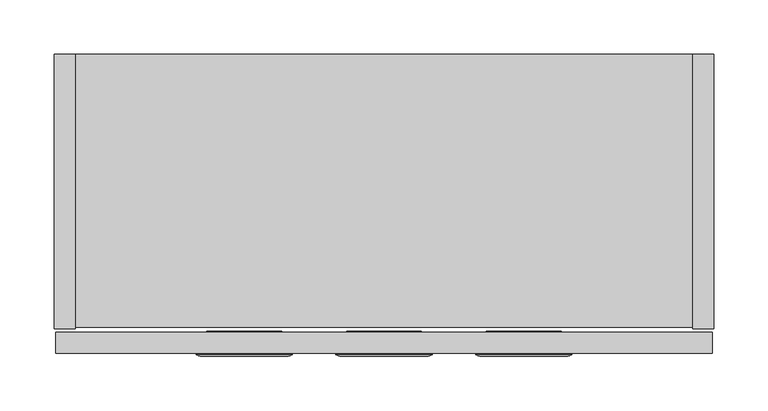
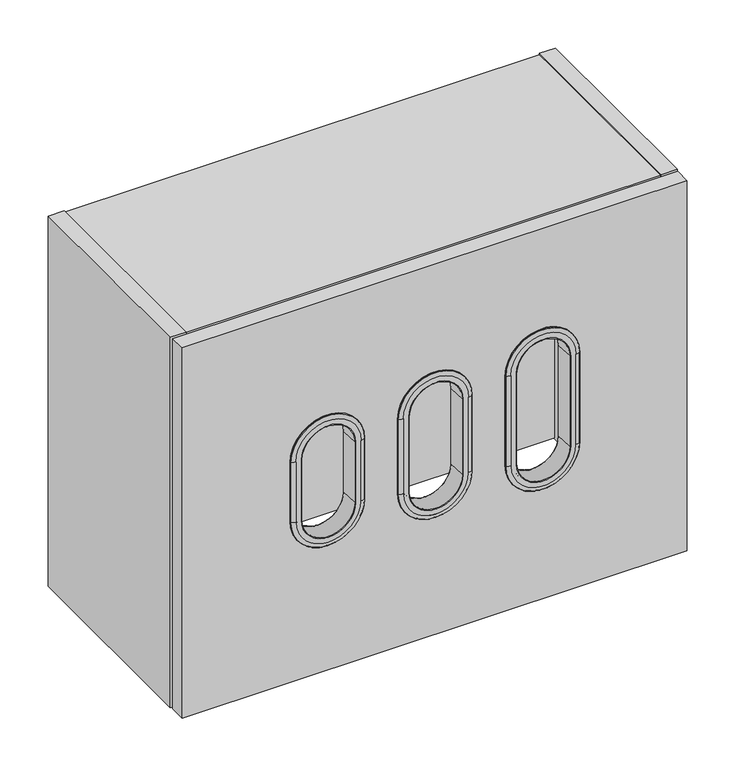
"""IFC4 building model written with IfcOpenShell, lengths in millimetres: furniture geometry."""

from ifc_helpers import new_model, si_unit, point, frame, frame_2d, origin, place, context, project, spatial, polyline, circle_curve, ellipse_curve, trimmed, segment, composite_curve, outline, extrude, source, transform, mapped, element, save
from ifc_brep_helpers import plane_surface, cylinder_surface, revolved_surface, advanced_brep


def furniture_065cee62(model_context):
    return source(origin(), model_context, "Body", "SolidModel", [
        extrude(outline(polyline([(19.304, -253.746), (0.0, -253.746), (0.0, 0.0), (19.304, 0.0), (19.304, -253.746)])), frame((0.0, 0.0, 1397.0), z_axis=(0.0, 0.0, 1.0), x_axis=(1.0, 0.0, 0.0)), (0.0, 0.0, 1.0), 469.9),
        extrude(outline(composite_curve([segment(polyline([(-253.746, 1397.0), (-253.746, 1866.9), (0.0, 1866.9), (0.0, 1783.842), (-9.5254487, 1783.842)]), True, "CONTINUOUS"), segment(trimmed(circle_curve(frame_2d((-9.5254487, 1780.6674487)), 3.1745513), [point((-9.5254487, 1783.842))], [point((-12.7, 1780.6674487))], True, "CARTESIAN"), True, "CONTINUOUS"), segment(polyline([(-12.7, 1780.6674487), (-12.7, 1679.067)]), True, "CONTINUOUS"), segment(trimmed(circle_curve(frame_2d((-9.525, 1679.067)), 3.175), [point((-12.7, 1679.067))], [point((-9.525, 1675.892))], True, "CARTESIAN"), True, "CONTINUOUS"), segment(polyline([(-9.525, 1675.892), (0.0, 1675.892), (0.0, 1397.0), (-253.746, 1397.0)]), True, "CONTINUOUS")], self_intersect=False)), frame((590.296, 0.0, 0.0), z_axis=(1.0, 0.0, 0.0), x_axis=(0.0, 1.0, 0.0)), (0.0, 0.0, 1.0), 19.304),
        extrude(outline(polyline([(590.296, -12.7), (590.296, -32.004), (19.304, -32.004), (19.304, -12.7), (590.296, -12.7)])), frame((0.0, 0.0, 1398.524), z_axis=(0.0, 0.0, 1.0), x_axis=(1.0, 0.0, 0.0)), (0.0, 0.0, 1.0), 449.072),
        extrude(outline(polyline([(590.296, -252.222), (19.304, -252.222), (19.304, -150.622), (590.296, -150.622), (590.296, -252.222)])), frame((0.0, 0.0, 1398.524), z_axis=(0.0, 0.0, 1.0), x_axis=(1.0, 0.0, 0.0)), (0.0, 0.0, 1.0), 19.304),
        extrude(outline(polyline([(590.296, -252.222), (19.304, -252.222), (19.304, 0.0), (590.296, 0.0), (590.296, -252.222)])), frame((0.0, 0.0, 1847.596), z_axis=(0.0, 0.0, 1.0), x_axis=(1.0, 0.0, 0.0)), (0.0, 0.0, 1.0), 17.78),
        advanced_brep(
        [(465.9192539, -278.6290346, 1695.45), (465.1479285, -256.5411669, 1695.45), (465.1479285, -256.5411669, 1581.15), (465.9192539, -278.6290346, 1581.15), (466.5334946, -279.2222, 1695.45), (466.5334946, -279.2222, 1581.15), (477.995775, -277.8997336, 1695.45), (473.034376, -279.2222, 1695.45), (473.034376, -279.2222, 1581.15), (477.995775, -277.8997336, 1581.15), (478.408104, -277.2288403, 1695.45), (478.408104, -277.2288403, 1581.15), (478.4607131, -276.225, 1695.45), (478.4607131, -276.225, 1581.15), (468.4776, -255.905, 1695.45), (468.4776, -276.225, 1695.45), (468.4776, -276.225, 1581.15), (468.4776, -255.905, 1581.15), (465.7622678, -255.905, 1695.45), (465.7622678, -255.905, 1581.15), (401.9479461, -278.6290346, 1581.15), (402.7192715, -256.5411669, 1581.15), (401.3337054, -279.2222, 1581.15), (389.871425, -277.8997336, 1581.15), (394.832824, -279.2222, 1581.15), (389.459096, -277.2288403, 1581.15), (389.4064869, -276.225, 1581.15), (399.3896, -255.905, 1581.15), (399.3896, -276.225, 1581.15), (402.1049322, -255.905, 1581.15), (402.7192715, -256.5411669, 1695.45), (401.9479461, -278.6290346, 1695.45), (401.3337054, -279.2222, 1695.45), (394.832824, -279.2222, 1695.45), (389.871425, -277.8997336, 1695.45), (389.459096, -277.2288403, 1695.45), (389.4064869, -276.225, 1695.45), (399.3896, -276.225, 1695.45), (399.3896, -255.905, 1695.45), (402.1049322, -255.905, 1695.45)],
        [
            (0, 1),
            (1, 2),
            (2, 3),
            (3, 0),
            (4, 0, circle_curve(frame((466.5334946, -278.6075849, 1695.45), z_axis=(0.0, 0.0, -1.0), x_axis=(1.0, 0.0, 0.0)), 0.6146151)),
            (3, 5, circle_curve(frame((466.5334946, -278.6075849, 1581.15), z_axis=(0.0, 0.0, 1.0), x_axis=(1.0, 0.0, 0.0)), 0.6146151)),
            (5, 4),
            (6, 7, circle_curve(frame((473.034376, -269.254311, 1695.45), z_axis=(0.0, 0.0, -1.0), x_axis=(1.0, 0.0, 0.0)), 9.967889)),
            (7, 8),
            (8, 9, circle_curve(frame((473.034376, -269.254311, 1581.15), z_axis=(0.0, 0.0, 1.0), x_axis=(1.0, 0.0, 0.0)), 9.967889)),
            (9, 6),
            (10, 6, circle_curve(frame((477.5860416, -277.1857579, 1695.45), z_axis=(0.0, 0.0, -1.0), x_axis=(1.0, 0.0, 0.0)), 0.8231906)),
            (9, 11, circle_curve(frame((477.5860416, -277.1857579, 1581.15), z_axis=(0.0, 0.0, 1.0), x_axis=(1.0, 0.0, 0.0)), 0.8231906)),
            (11, 10),
            (12, 10),
            (11, 13),
            (13, 12),
            (14, 15),
            (15, 16),
            (16, 17),
            (17, 14),
            (1, 18, circle_curve(frame((465.7622678, -256.5197137, 1695.45), z_axis=(0.0, 0.0, -1.0), x_axis=(1.0, 0.0, 0.0)), 0.6147137)),
            (18, 19),
            (19, 2, circle_curve(frame((465.7622678, -256.5197137, 1581.15), z_axis=(0.0, 0.0, 1.0), x_axis=(1.0, 0.0, 0.0)), 0.6147137)),
            (20, 3, circle_curve(frame((433.9336, -278.6290346, 1581.15), z_axis=(0.0, -1.0, 0.0), x_axis=(1.0, 0.0, 0.0)), 31.9856539)),
            (2, 21, circle_curve(frame((433.9336, -256.5411669, 1581.15), z_axis=(0.0, 1.0, 0.0), x_axis=(1.0, 0.0, 0.0)), 31.2143285)),
            (21, 20),
            (22, 5, circle_curve(frame((433.9336, -279.2222, 1581.15), z_axis=(0.0, -1.0, 0.0), x_axis=(1.0, 0.0, 0.0)), 32.5998946)),
            (20, 22, circle_curve(frame((401.3337054, -278.6075849, 1581.15), z_axis=(0.0, 0.0, -1.0), x_axis=(-1.0, 0.0, 0.0)), 0.6146151)),
            (23, 9, circle_curve(frame((433.9336, -277.8997336, 1581.15), z_axis=(0.0, -1.0, 0.0), x_axis=(1.0, 0.0, 0.0)), 44.062175)),
            (8, 24, circle_curve(frame((433.9336, -279.2222, 1581.15), z_axis=(0.0, 1.0, 0.0), x_axis=(1.0, 0.0, 0.0)), 39.100776)),
            (24, 23, circle_curve(frame((394.832824, -269.254311, 1581.15), z_axis=(0.0, 0.0, -1.0), x_axis=(-1.0, 0.0, 0.0)), 9.967889)),
            (25, 11, circle_curve(frame((433.9336, -277.2288403, 1581.15), z_axis=(0.0, -1.0, 0.0), x_axis=(1.0, 0.0, 0.0)), 44.474504)),
            (23, 25, circle_curve(frame((390.2811584, -277.1857579, 1581.15), z_axis=(0.0, 0.0, -1.0), x_axis=(-1.0, 0.0, 0.0)), 0.8231906)),
            (26, 13, circle_curve(frame((433.9336, -276.225, 1581.15), z_axis=(0.0, -1.0, 0.0), x_axis=(1.0, 0.0, 0.0)), 44.5271131)),
            (25, 26),
            (27, 17, circle_curve(frame((433.9336, -255.905, 1581.15), z_axis=(0.0, -1.0, 0.0), x_axis=(1.0, 0.0, 0.0)), 34.544)),
            (16, 28, circle_curve(frame((433.9336, -276.225, 1581.15), z_axis=(0.0, 1.0, 0.0), x_axis=(1.0, 0.0, 0.0)), 34.544)),
            (28, 27),
            (19, 29, circle_curve(frame((433.9336, -255.905, 1581.15), z_axis=(0.0, 1.0, 0.0), x_axis=(1.0, 0.0, 0.0)), 31.8286678)),
            (29, 21, circle_curve(frame((402.1049322, -256.5197137, 1581.15), z_axis=(0.0, 0.0, -1.0), x_axis=(-1.0, 0.0, 0.0)), 0.6147137)),
            (21, 30),
            (30, 31),
            (31, 20),
            (31, 32, circle_curve(frame((401.3337054, -278.6075849, 1695.45), z_axis=(0.0, 0.0, -1.0), x_axis=(-1.0, 0.0, 0.0)), 0.6146151)),
            (32, 22),
            (24, 33),
            (33, 34, circle_curve(frame((394.832824, -269.254311, 1695.45), z_axis=(0.0, 0.0, -1.0), x_axis=(-1.0, 0.0, 0.0)), 9.967889)),
            (34, 23),
            (34, 35, circle_curve(frame((390.2811584, -277.1857579, 1695.45), z_axis=(0.0, 0.0, -1.0), x_axis=(-1.0, 0.0, 0.0)), 0.8231906)),
            (35, 25),
            (35, 36),
            (36, 26),
            (28, 37),
            (37, 38),
            (38, 27),
            (29, 39),
            (39, 30, circle_curve(frame((402.1049322, -256.5197137, 1695.45), z_axis=(0.0, 0.0, -1.0), x_axis=(-1.0, 0.0, 0.0)), 0.6147137)),
            (0, 31, circle_curve(frame((433.9336, -278.6290346, 1695.45), z_axis=(0.0, -1.0, 0.0), x_axis=(-1.0, 0.0, 0.0)), 31.9856539)),
            (30, 1, circle_curve(frame((433.9336, -256.5411669, 1695.45), z_axis=(0.0, 1.0, 0.0), x_axis=(-1.0, 0.0, 0.0)), 31.2143285)),
            (4, 32, circle_curve(frame((433.9336, -279.2222, 1695.45), z_axis=(0.0, -1.0, 0.0), x_axis=(-1.0, 0.0, 0.0)), 32.5998946)),
            (7, 33, circle_curve(frame((433.9336, -279.2222, 1695.45), z_axis=(0.0, -1.0, 0.0), x_axis=(-1.0, 0.0, 0.0)), 39.100776)),
            (6, 34, circle_curve(frame((433.9336, -277.8997336, 1695.45), z_axis=(0.0, -1.0, 0.0), x_axis=(-1.0, 0.0, 0.0)), 44.062175)),
            (10, 35, circle_curve(frame((433.9336, -277.2288403, 1695.45), z_axis=(0.0, -1.0, 0.0), x_axis=(-1.0, 0.0, 0.0)), 44.474504)),
            (12, 36, circle_curve(frame((433.9336, -276.225, 1695.45), z_axis=(0.0, -1.0, 0.0), x_axis=(-1.0, 0.0, 0.0)), 44.5271131)),
            (15, 37, circle_curve(frame((433.9336, -276.225, 1695.45), z_axis=(0.0, -1.0, 0.0), x_axis=(-1.0, 0.0, 0.0)), 34.544)),
            (14, 38, circle_curve(frame((433.9336, -255.905, 1695.45), z_axis=(0.0, -1.0, 0.0), x_axis=(-1.0, 0.0, 0.0)), 34.544)),
            (18, 39, circle_curve(frame((433.9336, -255.905, 1695.45), z_axis=(0.0, -1.0, 0.0), x_axis=(-1.0, 0.0, 0.0)), 31.8286678)),
        ],
        [
            plane_surface(frame((465.1479285, -256.5411669, 1695.45), z_axis=(-0.9993908270190941, -0.03489949670254908, 0.0), x_axis=(0.0, 0.0, -1.0))),
            cylinder_surface(frame((466.5334946, -278.6075849, 1695.45), z_axis=(0.0, 0.0, 1.0), x_axis=(1.0, 0.0, 0.0)), 0.6146151),
            cylinder_surface(frame((473.034376, -269.254311, 1695.45), z_axis=(0.0, 0.0, 1.0), x_axis=(1.0, 0.0, 0.0)), 9.967889),
            cylinder_surface(frame((477.5860416, -277.1857579, 1695.45), z_axis=(0.0, 0.0, 1.0), x_axis=(1.0, 0.0, 0.0)), 0.8231906),
            plane_surface(frame((478.408104, -277.2288403, 1695.45), z_axis=(0.9986295347545768, -0.052335956242888795, 0.0), x_axis=(0.0, 0.0, -1.0))),
            plane_surface(frame((468.4776, -276.225, 1695.45), z_axis=(1.0, 0.0, 0.0), x_axis=(0.0, 0.0, -1.0))),
            cylinder_surface(frame((465.7622678, -256.5197137, 1695.45), z_axis=(0.0, 0.0, 1.0), x_axis=(1.0, 0.0, 0.0)), 0.6147137),
            revolved_surface(polyline([(465.1479285, -256.5411669, 1581.15), (465.9192539, -278.6290346, 1581.15)]), (433.9336, -276.225, 1581.15), (0.0, 1.0, 0.0)),
            revolved_surface(trimmed(ellipse_curve(frame((466.5334946, -278.6075849, 1581.15), z_axis=(0.0, 0.0, 1.0), x_axis=(1.0, 0.0, 0.0)), 0.6146151, 0.6146151), [point((465.9192539, -278.6290346, 1581.15))], [point((466.5334946, -279.2222, 1581.15))], True, "CARTESIAN"), (433.9336, -276.225, 1581.15), (0.0, 1.0, 0.0)),
            revolved_surface(trimmed(ellipse_curve(frame((473.034376, -269.254311, 1581.15), z_axis=(0.0, 0.0, 1.0), x_axis=(1.0, 0.0, 0.0)), 9.967889, 9.967889), [point((473.034376, -279.2222, 1581.15))], [point((477.995775, -277.8997336, 1581.15))], True, "CARTESIAN"), (433.9336, -276.225, 1581.15), (0.0, 1.0, 0.0)),
            revolved_surface(trimmed(ellipse_curve(frame((477.5860416, -277.1857579, 1581.15), z_axis=(0.0, 0.0, 1.0), x_axis=(1.0, 0.0, 0.0)), 0.8231906, 0.8231906), [point((477.995775, -277.8997336, 1581.15))], [point((478.408104, -277.2288403, 1581.15))], True, "CARTESIAN"), (433.9336, -276.225, 1581.15), (0.0, 1.0, 0.0)),
            revolved_surface(polyline([(478.408104, -277.2288403, 1581.15), (478.4607131, -276.225, 1581.15)]), (433.9336, -276.225, 1581.15), (0.0, 1.0, 0.0)),
            cylinder_surface(frame((433.9336, -276.225, 1581.15), z_axis=(0.0, 1.0, 0.0), x_axis=(1.0, 0.0, 0.0)), 34.544),
            revolved_surface(trimmed(ellipse_curve(frame((465.7622678, -256.5197137, 1581.15), z_axis=(0.0, 0.0, 1.0), x_axis=(1.0, 0.0, 0.0)), 0.6147137, 0.6147137), [point((465.7622678, -255.905, 1581.15))], [point((465.1479285, -256.5411669, 1581.15))], True, "CARTESIAN"), (433.9336, -276.225, 1581.15), (0.0, 1.0, 0.0)),
            plane_surface(frame((402.7192715, -256.5411669, 1581.15), z_axis=(0.9993908270190941, -0.03489949670254908, 0.0), x_axis=(0.0, 0.0, 1.0))),
            cylinder_surface(frame((401.3337054, -278.6075849, 1581.15), z_axis=(0.0, 0.0, -1.0), x_axis=(-1.0, 0.0, 0.0)), 0.6146151),
            cylinder_surface(frame((394.832824, -269.254311, 1581.15), z_axis=(0.0, 0.0, -1.0), x_axis=(-1.0, 0.0, 0.0)), 9.967889),
            cylinder_surface(frame((390.2811584, -277.1857579, 1581.15), z_axis=(0.0, 0.0, -1.0), x_axis=(-1.0, 0.0, 0.0)), 0.8231906),
            plane_surface(frame((389.459096, -277.2288403, 1581.15), z_axis=(-0.9986295347545768, -0.052335956242888795, 0.0), x_axis=(0.0, 0.0, 1.0))),
            plane_surface(frame((399.3896, -276.225, 1581.15), z_axis=(-1.0, 0.0, 0.0), x_axis=(0.0, 0.0, 1.0))),
            cylinder_surface(frame((402.1049322, -256.5197137, 1581.15), z_axis=(0.0, 0.0, -1.0), x_axis=(-1.0, 0.0, 0.0)), 0.6147137),
            revolved_surface(polyline([(402.7192715, -256.5411669, 1695.45), (401.9479461, -278.6290346, 1695.45)]), (433.9336, -276.225, 1695.45), (0.0, 1.0, 0.0)),
            revolved_surface(trimmed(ellipse_curve(frame((401.3337054, -278.6075849, 1695.45), z_axis=(0.0, 0.0, -1.0), x_axis=(-1.0, 0.0, 0.0)), 0.6146151, 0.6146151), [point((401.9479461, -278.6290346, 1695.45))], [point((401.3337054, -279.2222, 1695.45))], True, "CARTESIAN"), (433.9336, -276.225, 1695.45), (0.0, 1.0, 0.0)),
            plane_surface(frame((433.9336, -279.2222, 1695.45), z_axis=(0.0, -1.0, 0.0), x_axis=(-1.0, 0.0, 0.0))),
            revolved_surface(trimmed(ellipse_curve(frame((394.832824, -269.254311, 1695.45), z_axis=(0.0, 0.0, -1.0), x_axis=(-1.0, 0.0, 0.0)), 9.967889, 9.967889), [point((394.832824, -279.2222, 1695.45))], [point((389.871425, -277.8997336, 1695.45))], True, "CARTESIAN"), (433.9336, -276.225, 1695.45), (0.0, 1.0, 0.0)),
            revolved_surface(trimmed(ellipse_curve(frame((390.2811584, -277.1857579, 1695.45), z_axis=(0.0, 0.0, -1.0), x_axis=(-1.0, 0.0, 0.0)), 0.8231906, 0.8231906), [point((389.871425, -277.8997336, 1695.45))], [point((389.459096, -277.2288403, 1695.45))], True, "CARTESIAN"), (433.9336, -276.225, 1695.45), (0.0, 1.0, 0.0)),
            revolved_surface(polyline([(389.459096, -277.2288403, 1695.45), (389.4064869, -276.225, 1695.45)]), (433.9336, -276.225, 1695.45), (0.0, 1.0, 0.0)),
            plane_surface(frame((433.9336, -276.225, 1695.45), z_axis=(0.0, 1.0, 0.0), x_axis=(-1.0, 0.0, 0.0))),
            cylinder_surface(frame((433.9336, -276.225, 1695.45), z_axis=(0.0, 1.0, 0.0), x_axis=(-1.0, 0.0, 0.0)), 34.544),
            plane_surface(frame((433.9336, -255.905, 1695.45), z_axis=(0.0, 1.0, 0.0), x_axis=(-1.0, 0.0, 0.0))),
            revolved_surface(trimmed(ellipse_curve(frame((402.1049322, -256.5197137, 1695.45), z_axis=(0.0, 0.0, -1.0), x_axis=(-1.0, 0.0, 0.0)), 0.6147137, 0.6147137), [point((402.1049322, -255.905, 1695.45))], [point((402.7192715, -256.5411669, 1695.45))], True, "CARTESIAN"), (433.9336, -276.225, 1695.45), (0.0, 1.0, 0.0)),
        ],
        [
            (0, [[1, 2, 3, 4]]),
            (1, [[5, -4, 6, 7]]),
            (2, [[8, 9, 10, 11]]),
            (3, [[12, -11, 13, 14]]),
            (4, [[15, -14, 16, 17]]),
            (5, [[18, 19, 20, 21]]),
            (6, [[22, 23, 24, -2]]),
            (7, [[25, -3, 26, 27]]),
            (8, [[28, -6, -25, 29]]),
            (9, [[30, -10, 31, 32]]),
            (10, [[33, -13, -30, 34]]),
            (11, [[35, -16, -33, 36]]),
            (12, [[37, -20, 38, 39]]),
            (13, [[-26, -24, 40, 41]]),
            (14, [[-27, 42, 43, 44]]),
            (15, [[-29, -44, 45, 46]]),
            (16, [[-32, 47, 48, 49]]),
            (17, [[-34, -49, 50, 51]]),
            (18, [[-36, -51, 52, 53]]),
            (19, [[-39, 54, 55, 56]]),
            (20, [[-41, 57, 58, -42]]),
            (21, [[59, -43, 60, -1]]),
            (22, [[61, -45, -59, -5]]),
            (23, [[62, -47, -31, -9], [-28, -46, -61, -7]]),
            (24, [[63, -48, -62, -8]]),
            (25, [[64, -50, -63, -12]]),
            (26, [[65, -52, -64, -15]]),
            (27, [[-35, -53, -65, -17], [66, -54, -38, -19]]),
            (28, [[67, -55, -66, -18]]),
            (29, [[-37, -56, -67, -21], [68, -57, -40, -23]]),
            (30, [[-60, -58, -68, -22]]),
        ],
    ),
        advanced_brep(
        [(336.7856539, -278.6290346, 1685.925), (336.0143285, -256.5411669, 1685.925), (336.0143285, -256.5411669, 1590.675), (336.7856539, -278.6290346, 1590.675), (337.3998946, -279.2222, 1685.925), (337.3998946, -279.2222, 1590.675), (348.862175, -277.8997336, 1685.925), (343.900776, -279.2222, 1685.925), (343.900776, -279.2222, 1590.675), (348.862175, -277.8997336, 1590.675), (349.274504, -277.2288403, 1685.925), (349.274504, -277.2288403, 1590.675), (349.3271131, -276.225, 1685.925), (349.3271131, -276.225, 1590.675), (339.344, -255.905, 1685.925), (339.344, -276.225, 1685.925), (339.344, -276.225, 1590.675), (339.344, -255.905, 1590.675), (336.6286678, -255.905, 1685.925), (336.6286678, -255.905, 1590.675), (272.8143461, -278.6290346, 1590.675), (273.5856715, -256.5411669, 1590.675), (272.2001054, -279.2222, 1590.675), (260.737825, -277.8997336, 1590.675), (265.699224, -279.2222, 1590.675), (260.325496, -277.2288403, 1590.675), (260.2728869, -276.225, 1590.675), (270.256, -255.905, 1590.675), (270.256, -276.225, 1590.675), (272.9713322, -255.905, 1590.675), (273.5856715, -256.5411669, 1685.925), (272.8143461, -278.6290346, 1685.925), (272.2001054, -279.2222, 1685.925), (265.699224, -279.2222, 1685.925), (260.737825, -277.8997336, 1685.925), (260.325496, -277.2288403, 1685.925), (260.2728869, -276.225, 1685.925), (270.256, -276.225, 1685.925), (270.256, -255.905, 1685.925), (272.9713322, -255.905, 1685.925)],
        [
            (0, 1),
            (1, 2),
            (2, 3),
            (3, 0),
            (4, 0, circle_curve(frame((337.3998946, -278.6075849, 1685.925), z_axis=(0.0, 0.0, -1.0), x_axis=(1.0, 0.0, 0.0)), 0.6146151)),
            (3, 5, circle_curve(frame((337.3998946, -278.6075849, 1590.675), z_axis=(0.0, 0.0, 1.0), x_axis=(1.0, 0.0, 0.0)), 0.6146151)),
            (5, 4),
            (6, 7, circle_curve(frame((343.900776, -269.254311, 1685.925), z_axis=(0.0, 0.0, -1.0), x_axis=(1.0, 0.0, 0.0)), 9.967889)),
            (7, 8),
            (8, 9, circle_curve(frame((343.900776, -269.254311, 1590.675), z_axis=(0.0, 0.0, 1.0), x_axis=(1.0, 0.0, 0.0)), 9.967889)),
            (9, 6),
            (10, 6, circle_curve(frame((348.4524416, -277.1857579, 1685.925), z_axis=(0.0, 0.0, -1.0), x_axis=(1.0, 0.0, 0.0)), 0.8231906)),
            (9, 11, circle_curve(frame((348.4524416, -277.1857579, 1590.675), z_axis=(0.0, 0.0, 1.0), x_axis=(1.0, 0.0, 0.0)), 0.8231906)),
            (11, 10),
            (12, 10),
            (11, 13),
            (13, 12),
            (14, 15),
            (15, 16),
            (16, 17),
            (17, 14),
            (1, 18, circle_curve(frame((336.6286678, -256.5197137, 1685.925), z_axis=(0.0, 0.0, -1.0), x_axis=(1.0, 0.0, 0.0)), 0.6147137)),
            (18, 19),
            (19, 2, circle_curve(frame((336.6286678, -256.5197137, 1590.675), z_axis=(0.0, 0.0, 1.0), x_axis=(1.0, 0.0, 0.0)), 0.6147137)),
            (20, 3, circle_curve(frame((304.8, -278.6290346, 1590.675), z_axis=(0.0, -1.0, 0.0), x_axis=(1.0, 0.0, 0.0)), 31.9856539)),
            (2, 21, circle_curve(frame((304.8, -256.5411669, 1590.675), z_axis=(0.0, 1.0, 0.0), x_axis=(1.0, 0.0, 0.0)), 31.2143285)),
            (21, 20),
            (22, 5, circle_curve(frame((304.8, -279.2222, 1590.675), z_axis=(0.0, -1.0, 0.0), x_axis=(1.0, 0.0, 0.0)), 32.5998946)),
            (20, 22, circle_curve(frame((272.2001054, -278.6075849, 1590.675), z_axis=(0.0, 0.0, -1.0), x_axis=(-1.0, 0.0, 0.0)), 0.6146151)),
            (23, 9, circle_curve(frame((304.8, -277.8997336, 1590.675), z_axis=(0.0, -1.0, 0.0), x_axis=(1.0, 0.0, 0.0)), 44.062175)),
            (8, 24, circle_curve(frame((304.8, -279.2222, 1590.675), z_axis=(0.0, 1.0, 0.0), x_axis=(1.0, 0.0, 0.0)), 39.100776)),
            (24, 23, circle_curve(frame((265.699224, -269.254311, 1590.675), z_axis=(0.0, 0.0, -1.0), x_axis=(-1.0, 0.0, 0.0)), 9.967889)),
            (25, 11, circle_curve(frame((304.8, -277.2288403, 1590.675), z_axis=(0.0, -1.0, 0.0), x_axis=(1.0, 0.0, 0.0)), 44.474504)),
            (23, 25, circle_curve(frame((261.1475584, -277.1857579, 1590.675), z_axis=(0.0, 0.0, -1.0), x_axis=(-1.0, 0.0, 0.0)), 0.8231906)),
            (26, 13, circle_curve(frame((304.8, -276.225, 1590.675), z_axis=(0.0, -1.0, 0.0), x_axis=(1.0, 0.0, 0.0)), 44.5271131)),
            (25, 26),
            (27, 17, circle_curve(frame((304.8, -255.905, 1590.675), z_axis=(0.0, -1.0, 0.0), x_axis=(1.0, 0.0, 0.0)), 34.544)),
            (16, 28, circle_curve(frame((304.8, -276.225, 1590.675), z_axis=(0.0, 1.0, 0.0), x_axis=(1.0, 0.0, 0.0)), 34.544)),
            (28, 27),
            (19, 29, circle_curve(frame((304.8, -255.905, 1590.675), z_axis=(0.0, 1.0, 0.0), x_axis=(1.0, 0.0, 0.0)), 31.8286678)),
            (29, 21, circle_curve(frame((272.9713322, -256.5197137, 1590.675), z_axis=(0.0, 0.0, -1.0), x_axis=(-1.0, 0.0, 0.0)), 0.6147137)),
            (21, 30),
            (30, 31),
            (31, 20),
            (31, 32, circle_curve(frame((272.2001054, -278.6075849, 1685.925), z_axis=(0.0, 0.0, -1.0), x_axis=(-1.0, 0.0, 0.0)), 0.6146151)),
            (32, 22),
            (24, 33),
            (33, 34, circle_curve(frame((265.699224, -269.254311, 1685.925), z_axis=(0.0, 0.0, -1.0), x_axis=(-1.0, 0.0, 0.0)), 9.967889)),
            (34, 23),
            (34, 35, circle_curve(frame((261.1475584, -277.1857579, 1685.925), z_axis=(0.0, 0.0, -1.0), x_axis=(-1.0, 0.0, 0.0)), 0.8231906)),
            (35, 25),
            (35, 36),
            (36, 26),
            (28, 37),
            (37, 38),
            (38, 27),
            (29, 39),
            (39, 30, circle_curve(frame((272.9713322, -256.5197137, 1685.925), z_axis=(0.0, 0.0, -1.0), x_axis=(-1.0, 0.0, 0.0)), 0.6147137)),
            (0, 31, circle_curve(frame((304.8, -278.6290346, 1685.925), z_axis=(0.0, -1.0, 0.0), x_axis=(-1.0, 0.0, 0.0)), 31.9856539)),
            (30, 1, circle_curve(frame((304.8, -256.5411669, 1685.925), z_axis=(0.0, 1.0, 0.0), x_axis=(-1.0, 0.0, 0.0)), 31.2143285)),
            (4, 32, circle_curve(frame((304.8, -279.2222, 1685.925), z_axis=(0.0, -1.0, 0.0), x_axis=(-1.0, 0.0, 0.0)), 32.5998946)),
            (7, 33, circle_curve(frame((304.8, -279.2222, 1685.925), z_axis=(0.0, -1.0, 0.0), x_axis=(-1.0, 0.0, 0.0)), 39.100776)),
            (6, 34, circle_curve(frame((304.8, -277.8997336, 1685.925), z_axis=(0.0, -1.0, 0.0), x_axis=(-1.0, 0.0, 0.0)), 44.062175)),
            (10, 35, circle_curve(frame((304.8, -277.2288403, 1685.925), z_axis=(0.0, -1.0, 0.0), x_axis=(-1.0, 0.0, 0.0)), 44.474504)),
            (12, 36, circle_curve(frame((304.8, -276.225, 1685.925), z_axis=(0.0, -1.0, 0.0), x_axis=(-1.0, 0.0, 0.0)), 44.5271131)),
            (15, 37, circle_curve(frame((304.8, -276.225, 1685.925), z_axis=(0.0, -1.0, 0.0), x_axis=(-1.0, 0.0, 0.0)), 34.544)),
            (14, 38, circle_curve(frame((304.8, -255.905, 1685.925), z_axis=(0.0, -1.0, 0.0), x_axis=(-1.0, 0.0, 0.0)), 34.544)),
            (18, 39, circle_curve(frame((304.8, -255.905, 1685.925), z_axis=(0.0, -1.0, 0.0), x_axis=(-1.0, 0.0, 0.0)), 31.8286678)),
        ],
        [
            plane_surface(frame((336.0143285, -256.5411669, 1685.925), z_axis=(-0.999390827019094, -0.034899496702549854, 0.0), x_axis=(0.0, 0.0, -1.0))),
            cylinder_surface(frame((337.3998946, -278.6075849, 1685.925), z_axis=(0.0, 0.0, 1.0), x_axis=(1.0, 0.0, 0.0)), 0.6146151),
            cylinder_surface(frame((343.900776, -269.254311, 1685.925), z_axis=(0.0, 0.0, 1.0), x_axis=(1.0, 0.0, 0.0)), 9.967889),
            cylinder_surface(frame((348.4524416, -277.1857579, 1685.925), z_axis=(0.0, 0.0, 1.0), x_axis=(1.0, 0.0, 0.0)), 0.8231906),
            plane_surface(frame((349.274504, -277.2288403, 1685.925), z_axis=(0.9986295347546317, -0.05233595624184051, 0.0), x_axis=(0.0, 0.0, -1.0))),
            plane_surface(frame((339.344, -276.225, 1685.925), z_axis=(1.0, 0.0, 0.0), x_axis=(0.0, 0.0, -1.0))),
            cylinder_surface(frame((336.6286678, -256.5197137, 1685.925), z_axis=(0.0, 0.0, 1.0), x_axis=(1.0, 0.0, 0.0)), 0.6147137),
            revolved_surface(polyline([(336.0143285, -256.5411669, 1590.675), (336.7856539, -278.6290346, 1590.675)]), (304.8, -276.225, 1590.675), (0.0, 1.0, 0.0)),
            revolved_surface(trimmed(ellipse_curve(frame((337.3998946, -278.6075849, 1590.675), z_axis=(0.0, 0.0, 1.0), x_axis=(1.0, 0.0, 0.0)), 0.6146151, 0.6146151), [point((336.7856539, -278.6290346, 1590.675))], [point((337.3998946, -279.2222, 1590.675))], True, "CARTESIAN"), (304.8, -276.225, 1590.675), (0.0, 1.0, 0.0)),
            revolved_surface(trimmed(ellipse_curve(frame((343.900776, -269.254311, 1590.675), z_axis=(0.0, 0.0, 1.0), x_axis=(1.0, 0.0, 0.0)), 9.967889, 9.967889), [point((343.900776, -279.2222, 1590.675))], [point((348.862175, -277.8997336, 1590.675))], True, "CARTESIAN"), (304.8, -276.225, 1590.675), (0.0, 1.0, 0.0)),
            revolved_surface(trimmed(ellipse_curve(frame((348.4524416, -277.1857579, 1590.675), z_axis=(0.0, 0.0, 1.0), x_axis=(1.0, 0.0, 0.0)), 0.8231906, 0.8231906), [point((348.862175, -277.8997336, 1590.675))], [point((349.274504, -277.2288403, 1590.675))], True, "CARTESIAN"), (304.8, -276.225, 1590.675), (0.0, 1.0, 0.0)),
            revolved_surface(polyline([(349.274504, -277.2288403, 1590.675), (349.3271131, -276.225, 1590.675)]), (304.8, -276.225, 1590.675), (0.0, 1.0, 0.0)),
            cylinder_surface(frame((304.8, -276.225, 1590.675), z_axis=(0.0, 1.0, 0.0), x_axis=(1.0, 0.0, 0.0)), 34.544),
            revolved_surface(trimmed(ellipse_curve(frame((336.6286678, -256.5197137, 1590.675), z_axis=(0.0, 0.0, 1.0), x_axis=(1.0, 0.0, 0.0)), 0.6147137, 0.6147137), [point((336.6286678, -255.905, 1590.675))], [point((336.0143285, -256.5411669, 1590.675))], True, "CARTESIAN"), (304.8, -276.225, 1590.675), (0.0, 1.0, 0.0)),
            plane_surface(frame((273.5856715, -256.5411669, 1590.675), z_axis=(0.999390827019094, -0.034899496702549854, 0.0), x_axis=(0.0, 0.0, 1.0))),
            cylinder_surface(frame((272.2001054, -278.6075849, 1590.675), z_axis=(0.0, 0.0, -1.0), x_axis=(-1.0, 0.0, 0.0)), 0.6146151),
            cylinder_surface(frame((265.699224, -269.254311, 1590.675), z_axis=(0.0, 0.0, -1.0), x_axis=(-1.0, 0.0, 0.0)), 9.967889),
            cylinder_surface(frame((261.1475584, -277.1857579, 1590.675), z_axis=(0.0, 0.0, -1.0), x_axis=(-1.0, 0.0, 0.0)), 0.8231906),
            plane_surface(frame((260.325496, -277.2288403, 1590.675), z_axis=(-0.9986295347546317, -0.05233595624184051, 0.0), x_axis=(0.0, 0.0, 1.0))),
            plane_surface(frame((270.256, -276.225, 1590.675), z_axis=(-1.0, 0.0, 0.0), x_axis=(0.0, 0.0, 1.0))),
            cylinder_surface(frame((272.9713322, -256.5197137, 1590.675), z_axis=(0.0, 0.0, -1.0), x_axis=(-1.0, 0.0, 0.0)), 0.6147137),
            revolved_surface(polyline([(273.5856715, -256.5411669, 1685.925), (272.8143461, -278.6290346, 1685.925)]), (304.8, -276.225, 1685.925), (0.0, 1.0, 0.0)),
            revolved_surface(trimmed(ellipse_curve(frame((272.2001054, -278.6075849, 1685.925), z_axis=(0.0, 0.0, -1.0), x_axis=(-1.0, 0.0, 0.0)), 0.6146151, 0.6146151), [point((272.8143461, -278.6290346, 1685.925))], [point((272.2001054, -279.2222, 1685.925))], True, "CARTESIAN"), (304.8, -276.225, 1685.925), (0.0, 1.0, 0.0)),
            plane_surface(frame((304.8, -279.2222, 1685.925), z_axis=(0.0, -1.0, 0.0), x_axis=(-1.0, 0.0, 0.0))),
            revolved_surface(trimmed(ellipse_curve(frame((265.699224, -269.254311, 1685.925), z_axis=(0.0, 0.0, -1.0), x_axis=(-1.0, 0.0, 0.0)), 9.967889, 9.967889), [point((265.699224, -279.2222, 1685.925))], [point((260.737825, -277.8997336, 1685.925))], True, "CARTESIAN"), (304.8, -276.225, 1685.925), (0.0, 1.0, 0.0)),
            revolved_surface(trimmed(ellipse_curve(frame((261.1475584, -277.1857579, 1685.925), z_axis=(0.0, 0.0, -1.0), x_axis=(-1.0, 0.0, 0.0)), 0.8231906, 0.8231906), [point((260.737825, -277.8997336, 1685.925))], [point((260.325496, -277.2288403, 1685.925))], True, "CARTESIAN"), (304.8, -276.225, 1685.925), (0.0, 1.0, 0.0)),
            revolved_surface(polyline([(260.325496, -277.2288403, 1685.925), (260.2728869, -276.225, 1685.925)]), (304.8, -276.225, 1685.925), (0.0, 1.0, 0.0)),
            plane_surface(frame((304.8, -276.225, 1685.925), z_axis=(0.0, 1.0, 0.0), x_axis=(-1.0, 0.0, 0.0))),
            cylinder_surface(frame((304.8, -276.225, 1685.925), z_axis=(0.0, 1.0, 0.0), x_axis=(-1.0, 0.0, 0.0)), 34.544),
            plane_surface(frame((304.8, -255.905, 1685.925), z_axis=(0.0, 1.0, 0.0), x_axis=(-1.0, 0.0, 0.0))),
            revolved_surface(trimmed(ellipse_curve(frame((272.9713322, -256.5197137, 1685.925), z_axis=(0.0, 0.0, -1.0), x_axis=(-1.0, 0.0, 0.0)), 0.6147137, 0.6147137), [point((272.9713322, -255.905, 1685.925))], [point((273.5856715, -256.5411669, 1685.925))], True, "CARTESIAN"), (304.8, -276.225, 1685.925), (0.0, 1.0, 0.0)),
        ],
        [
            (0, [[1, 2, 3, 4]]),
            (1, [[5, -4, 6, 7]]),
            (2, [[8, 9, 10, 11]]),
            (3, [[12, -11, 13, 14]]),
            (4, [[15, -14, 16, 17]]),
            (5, [[18, 19, 20, 21]]),
            (6, [[22, 23, 24, -2]]),
            (7, [[25, -3, 26, 27]]),
            (8, [[28, -6, -25, 29]]),
            (9, [[30, -10, 31, 32]]),
            (10, [[33, -13, -30, 34]]),
            (11, [[35, -16, -33, 36]]),
            (12, [[37, -20, 38, 39]]),
            (13, [[-26, -24, 40, 41]]),
            (14, [[-27, 42, 43, 44]]),
            (15, [[-29, -44, 45, 46]]),
            (16, [[-32, 47, 48, 49]]),
            (17, [[-34, -49, 50, 51]]),
            (18, [[-36, -51, 52, 53]]),
            (19, [[-39, 54, 55, 56]]),
            (20, [[-41, 57, 58, -42]]),
            (21, [[59, -43, 60, -1]]),
            (22, [[61, -45, -59, -5]]),
            (23, [[62, -47, -31, -9], [-28, -46, -61, -7]]),
            (24, [[63, -48, -62, -8]]),
            (25, [[64, -50, -63, -12]]),
            (26, [[65, -52, -64, -15]]),
            (27, [[-35, -53, -65, -17], [66, -54, -38, -19]]),
            (28, [[67, -55, -66, -18]]),
            (29, [[-37, -56, -67, -21], [68, -57, -40, -23]]),
            (30, [[-60, -58, -68, -22]]),
        ],
    ),
        advanced_brep(
        [(207.6520539, -278.6290346, 1676.4), (206.8807285, -256.5411669, 1676.4), (206.8807285, -256.5411669, 1600.2), (207.6520539, -278.6290346, 1600.2), (208.2662946, -279.2222, 1676.4), (208.2662946, -279.2222, 1600.2), (219.728575, -277.8997336, 1676.4), (214.767176, -279.2222, 1676.4), (214.767176, -279.2222, 1600.2), (219.728575, -277.8997336, 1600.2), (220.140904, -277.2288403, 1676.4), (220.140904, -277.2288403, 1600.2), (220.1935131, -276.225, 1676.4), (220.1935131, -276.225, 1600.2), (210.2104, -255.905, 1676.4), (210.2104, -276.225, 1676.4), (210.2104, -276.225, 1600.2), (210.2104, -255.905, 1600.2), (207.4950678, -255.905, 1676.4), (207.4950678, -255.905, 1600.2), (143.6807461, -278.6290346, 1600.2), (144.4520715, -256.5411669, 1600.2), (143.0665054, -279.2222, 1600.2), (131.604225, -277.8997336, 1600.2), (136.565624, -279.2222, 1600.2), (131.191896, -277.2288403, 1600.2), (131.1392869, -276.225, 1600.2), (141.1224, -255.905, 1600.2), (141.1224, -276.225, 1600.2), (143.8377322, -255.905, 1600.2), (144.4520715, -256.5411669, 1676.4), (143.6807461, -278.6290346, 1676.4), (143.0665054, -279.2222, 1676.4), (136.565624, -279.2222, 1676.4), (131.604225, -277.8997336, 1676.4), (131.191896, -277.2288403, 1676.4), (131.1392869, -276.225, 1676.4), (141.1224, -276.225, 1676.4), (141.1224, -255.905, 1676.4), (143.8377322, -255.905, 1676.4)],
        [
            (0, 1),
            (1, 2),
            (2, 3),
            (3, 0),
            (4, 0, circle_curve(frame((208.2662946, -278.6075849, 1676.4), z_axis=(0.0, 0.0, -1.0), x_axis=(1.0, 0.0, 0.0)), 0.6146151)),
            (3, 5, circle_curve(frame((208.2662946, -278.6075849, 1600.2), z_axis=(0.0, 0.0, 1.0), x_axis=(1.0, 0.0, 0.0)), 0.6146151)),
            (5, 4),
            (6, 7, circle_curve(frame((214.767176, -269.254311, 1676.4), z_axis=(0.0, 0.0, -1.0), x_axis=(1.0, 0.0, 0.0)), 9.967889)),
            (7, 8),
            (8, 9, circle_curve(frame((214.767176, -269.254311, 1600.2), z_axis=(0.0, 0.0, 1.0), x_axis=(1.0, 0.0, 0.0)), 9.967889)),
            (9, 6),
            (10, 6, circle_curve(frame((219.3188416, -277.1857579, 1676.4), z_axis=(0.0, 0.0, -1.0), x_axis=(1.0, 0.0, 0.0)), 0.8231906)),
            (9, 11, circle_curve(frame((219.3188416, -277.1857579, 1600.2), z_axis=(0.0, 0.0, 1.0), x_axis=(1.0, 0.0, 0.0)), 0.8231906)),
            (11, 10),
            (12, 10),
            (11, 13),
            (13, 12),
            (14, 15),
            (15, 16),
            (16, 17),
            (17, 14),
            (1, 18, circle_curve(frame((207.4950678, -256.5197137, 1676.4), z_axis=(0.0, 0.0, -1.0), x_axis=(1.0, 0.0, 0.0)), 0.6147137)),
            (18, 19),
            (19, 2, circle_curve(frame((207.4950678, -256.5197137, 1600.2), z_axis=(0.0, 0.0, 1.0), x_axis=(1.0, 0.0, 0.0)), 0.6147137)),
            (20, 3, circle_curve(frame((175.6664, -278.6290346, 1600.2), z_axis=(0.0, -1.0, 0.0), x_axis=(1.0, 0.0, 0.0)), 31.9856539)),
            (2, 21, circle_curve(frame((175.6664, -256.5411669, 1600.2), z_axis=(0.0, 1.0, 0.0), x_axis=(1.0, 0.0, 0.0)), 31.2143285)),
            (21, 20),
            (22, 5, circle_curve(frame((175.6664, -279.2222, 1600.2), z_axis=(0.0, -1.0, 0.0), x_axis=(1.0, 0.0, 0.0)), 32.5998946)),
            (20, 22, circle_curve(frame((143.0665054, -278.6075849, 1600.2), z_axis=(0.0, 0.0, -1.0), x_axis=(-1.0, 0.0, 0.0)), 0.6146151)),
            (23, 9, circle_curve(frame((175.6664, -277.8997336, 1600.2), z_axis=(0.0, -1.0, 0.0), x_axis=(1.0, 0.0, 0.0)), 44.062175)),
            (8, 24, circle_curve(frame((175.6664, -279.2222, 1600.2), z_axis=(0.0, 1.0, 0.0), x_axis=(1.0, 0.0, 0.0)), 39.100776)),
            (24, 23, circle_curve(frame((136.565624, -269.254311, 1600.2), z_axis=(0.0, 0.0, -1.0), x_axis=(-1.0, 0.0, 0.0)), 9.967889)),
            (25, 11, circle_curve(frame((175.6664, -277.2288403, 1600.2), z_axis=(0.0, -1.0, 0.0), x_axis=(1.0, 0.0, 0.0)), 44.474504)),
            (23, 25, circle_curve(frame((132.0139584, -277.1857579, 1600.2), z_axis=(0.0, 0.0, -1.0), x_axis=(-1.0, 0.0, 0.0)), 0.8231906)),
            (26, 13, circle_curve(frame((175.6664, -276.225, 1600.2), z_axis=(0.0, -1.0, 0.0), x_axis=(1.0, 0.0, 0.0)), 44.5271131)),
            (25, 26),
            (27, 17, circle_curve(frame((175.6664, -255.905, 1600.2), z_axis=(0.0, -1.0, 0.0), x_axis=(1.0, 0.0, 0.0)), 34.544)),
            (16, 28, circle_curve(frame((175.6664, -276.225, 1600.2), z_axis=(0.0, 1.0, 0.0), x_axis=(1.0, 0.0, 0.0)), 34.544)),
            (28, 27),
            (19, 29, circle_curve(frame((175.6664, -255.905, 1600.2), z_axis=(0.0, 1.0, 0.0), x_axis=(1.0, 0.0, 0.0)), 31.8286678)),
            (29, 21, circle_curve(frame((143.8377322, -256.5197137, 1600.2), z_axis=(0.0, 0.0, -1.0), x_axis=(-1.0, 0.0, 0.0)), 0.6147137)),
            (21, 30),
            (30, 31),
            (31, 20),
            (31, 32, circle_curve(frame((143.0665054, -278.6075849, 1676.4), z_axis=(0.0, 0.0, -1.0), x_axis=(-1.0, 0.0, 0.0)), 0.6146151)),
            (32, 22),
            (24, 33),
            (33, 34, circle_curve(frame((136.565624, -269.254311, 1676.4), z_axis=(0.0, 0.0, -1.0), x_axis=(-1.0, 0.0, 0.0)), 9.967889)),
            (34, 23),
            (34, 35, circle_curve(frame((132.0139584, -277.1857579, 1676.4), z_axis=(0.0, 0.0, -1.0), x_axis=(-1.0, 0.0, 0.0)), 0.8231906)),
            (35, 25),
            (35, 36),
            (36, 26),
            (28, 37),
            (37, 38),
            (38, 27),
            (29, 39),
            (39, 30, circle_curve(frame((143.8377322, -256.5197137, 1676.4), z_axis=(0.0, 0.0, -1.0), x_axis=(-1.0, 0.0, 0.0)), 0.6147137)),
            (0, 31, circle_curve(frame((175.6664, -278.6290346, 1676.4), z_axis=(0.0, -1.0, 0.0), x_axis=(-1.0, 0.0, 0.0)), 31.9856539)),
            (30, 1, circle_curve(frame((175.6664, -256.5411669, 1676.4), z_axis=(0.0, 1.0, 0.0), x_axis=(-1.0, 0.0, 0.0)), 31.2143285)),
            (4, 32, circle_curve(frame((175.6664, -279.2222, 1676.4), z_axis=(0.0, -1.0, 0.0), x_axis=(-1.0, 0.0, 0.0)), 32.5998946)),
            (7, 33, circle_curve(frame((175.6664, -279.2222, 1676.4), z_axis=(0.0, -1.0, 0.0), x_axis=(-1.0, 0.0, 0.0)), 39.100776)),
            (6, 34, circle_curve(frame((175.6664, -277.8997336, 1676.4), z_axis=(0.0, -1.0, 0.0), x_axis=(-1.0, 0.0, 0.0)), 44.062175)),
            (10, 35, circle_curve(frame((175.6664, -277.2288403, 1676.4), z_axis=(0.0, -1.0, 0.0), x_axis=(-1.0, 0.0, 0.0)), 44.474504)),
            (12, 36, circle_curve(frame((175.6664, -276.225, 1676.4), z_axis=(0.0, -1.0, 0.0), x_axis=(-1.0, 0.0, 0.0)), 44.5271131)),
            (15, 37, circle_curve(frame((175.6664, -276.225, 1676.4), z_axis=(0.0, -1.0, 0.0), x_axis=(-1.0, 0.0, 0.0)), 34.544)),
            (14, 38, circle_curve(frame((175.6664, -255.905, 1676.4), z_axis=(0.0, -1.0, 0.0), x_axis=(-1.0, 0.0, 0.0)), 34.544)),
            (18, 39, circle_curve(frame((175.6664, -255.905, 1676.4), z_axis=(0.0, -1.0, 0.0), x_axis=(-1.0, 0.0, 0.0)), 31.8286678)),
        ],
        [
            plane_surface(frame((206.8807285, -256.5411669, 1676.4), z_axis=(-0.999390827019094, -0.034899496702549854, 0.0), x_axis=(0.0, 0.0, -1.0))),
            cylinder_surface(frame((208.2662946, -278.6075849, 1676.4), z_axis=(0.0, 0.0, 1.0), x_axis=(1.0, 0.0, 0.0)), 0.6146151),
            cylinder_surface(frame((214.767176, -269.254311, 1676.4), z_axis=(0.0, 0.0, 1.0), x_axis=(1.0, 0.0, 0.0)), 9.967889),
            cylinder_surface(frame((219.3188416, -277.1857579, 1676.4), z_axis=(0.0, 0.0, 1.0), x_axis=(1.0, 0.0, 0.0)), 0.8231906),
            plane_surface(frame((220.140904, -277.2288403, 1676.4), z_axis=(0.9986295347546317, -0.05233595624184051, 0.0), x_axis=(0.0, 0.0, -1.0))),
            plane_surface(frame((210.2104, -276.225, 1676.4), z_axis=(1.0, 0.0, 0.0), x_axis=(0.0, 0.0, -1.0))),
            cylinder_surface(frame((207.4950678, -256.5197137, 1676.4), z_axis=(0.0, 0.0, 1.0), x_axis=(1.0, 0.0, 0.0)), 0.6147137),
            revolved_surface(polyline([(206.8807285, -256.5411669, 1600.2), (207.6520539, -278.6290346, 1600.2)]), (175.6664, -276.225, 1600.2), (0.0, 1.0, 0.0)),
            revolved_surface(trimmed(ellipse_curve(frame((208.2662946, -278.6075849, 1600.2), z_axis=(0.0, 0.0, 1.0), x_axis=(1.0, 0.0, 0.0)), 0.6146151, 0.6146151), [point((207.6520539, -278.6290346, 1600.2))], [point((208.2662946, -279.2222, 1600.2))], True, "CARTESIAN"), (175.6664, -276.225, 1600.2), (0.0, 1.0, 0.0)),
            revolved_surface(trimmed(ellipse_curve(frame((214.767176, -269.254311, 1600.2), z_axis=(0.0, 0.0, 1.0), x_axis=(1.0, 0.0, 0.0)), 9.967889, 9.967889), [point((214.767176, -279.2222, 1600.2))], [point((219.728575, -277.8997336, 1600.2))], True, "CARTESIAN"), (175.6664, -276.225, 1600.2), (0.0, 1.0, 0.0)),
            revolved_surface(trimmed(ellipse_curve(frame((219.3188416, -277.1857579, 1600.2), z_axis=(0.0, 0.0, 1.0), x_axis=(1.0, 0.0, 0.0)), 0.8231906, 0.8231906), [point((219.728575, -277.8997336, 1600.2))], [point((220.140904, -277.2288403, 1600.2))], True, "CARTESIAN"), (175.6664, -276.225, 1600.2), (0.0, 1.0, 0.0)),
            revolved_surface(polyline([(220.140904, -277.2288403, 1600.2), (220.1935131, -276.225, 1600.2)]), (175.6664, -276.225, 1600.2), (0.0, 1.0, 0.0)),
            cylinder_surface(frame((175.6664, -276.225, 1600.2), z_axis=(0.0, 1.0, 0.0), x_axis=(1.0, 0.0, 0.0)), 34.544),
            revolved_surface(trimmed(ellipse_curve(frame((207.4950678, -256.5197137, 1600.2), z_axis=(0.0, 0.0, 1.0), x_axis=(1.0, 0.0, 0.0)), 0.6147137, 0.6147137), [point((207.4950678, -255.905, 1600.2))], [point((206.8807285, -256.5411669, 1600.2))], True, "CARTESIAN"), (175.6664, -276.225, 1600.2), (0.0, 1.0, 0.0)),
            plane_surface(frame((144.4520715, -256.5411669, 1600.2), z_axis=(0.999390827019094, -0.034899496702549854, 0.0), x_axis=(0.0, 0.0, 1.0))),
            cylinder_surface(frame((143.0665054, -278.6075849, 1600.2), z_axis=(0.0, 0.0, -1.0), x_axis=(-1.0, 0.0, 0.0)), 0.6146151),
            cylinder_surface(frame((136.565624, -269.254311, 1600.2), z_axis=(0.0, 0.0, -1.0), x_axis=(-1.0, 0.0, 0.0)), 9.967889),
            cylinder_surface(frame((132.0139584, -277.1857579, 1600.2), z_axis=(0.0, 0.0, -1.0), x_axis=(-1.0, 0.0, 0.0)), 0.8231906),
            plane_surface(frame((131.191896, -277.2288403, 1600.2), z_axis=(-0.9986295347546317, -0.05233595624184051, 0.0), x_axis=(0.0, 0.0, 1.0))),
            plane_surface(frame((141.1224, -276.225, 1600.2), z_axis=(-1.0, 0.0, 0.0), x_axis=(0.0, 0.0, 1.0))),
            cylinder_surface(frame((143.8377322, -256.5197137, 1600.2), z_axis=(0.0, 0.0, -1.0), x_axis=(-1.0, 0.0, 0.0)), 0.6147137),
            revolved_surface(polyline([(144.4520715, -256.5411669, 1676.4), (143.6807461, -278.6290346, 1676.4)]), (175.6664, -276.225, 1676.4), (0.0, 1.0, 0.0)),
            revolved_surface(trimmed(ellipse_curve(frame((143.0665054, -278.6075849, 1676.4), z_axis=(0.0, 0.0, -1.0), x_axis=(-1.0, 0.0, 0.0)), 0.6146151, 0.6146151), [point((143.6807461, -278.6290346, 1676.4))], [point((143.0665054, -279.2222, 1676.4))], True, "CARTESIAN"), (175.6664, -276.225, 1676.4), (0.0, 1.0, 0.0)),
            plane_surface(frame((175.6664, -279.2222, 1676.4), z_axis=(0.0, -1.0, 0.0), x_axis=(-1.0, 0.0, 0.0))),
            revolved_surface(trimmed(ellipse_curve(frame((136.565624, -269.254311, 1676.4), z_axis=(0.0, 0.0, -1.0), x_axis=(-1.0, 0.0, 0.0)), 9.967889, 9.967889), [point((136.565624, -279.2222, 1676.4))], [point((131.604225, -277.8997336, 1676.4))], True, "CARTESIAN"), (175.6664, -276.225, 1676.4), (0.0, 1.0, 0.0)),
            revolved_surface(trimmed(ellipse_curve(frame((132.0139584, -277.1857579, 1676.4), z_axis=(0.0, 0.0, -1.0), x_axis=(-1.0, 0.0, 0.0)), 0.8231906, 0.8231906), [point((131.604225, -277.8997336, 1676.4))], [point((131.191896, -277.2288403, 1676.4))], True, "CARTESIAN"), (175.6664, -276.225, 1676.4), (0.0, 1.0, 0.0)),
            revolved_surface(polyline([(131.191896, -277.2288403, 1676.4), (131.1392869, -276.225, 1676.4)]), (175.6664, -276.225, 1676.4), (0.0, 1.0, 0.0)),
            plane_surface(frame((175.6664, -276.225, 1676.4), z_axis=(0.0, 1.0, 0.0), x_axis=(-1.0, 0.0, 0.0))),
            cylinder_surface(frame((175.6664, -276.225, 1676.4), z_axis=(0.0, 1.0, 0.0), x_axis=(-1.0, 0.0, 0.0)), 34.544),
            plane_surface(frame((175.6664, -255.905, 1676.4), z_axis=(0.0, 1.0, 0.0), x_axis=(-1.0, 0.0, 0.0))),
            revolved_surface(trimmed(ellipse_curve(frame((143.8377322, -256.5197137, 1676.4), z_axis=(0.0, 0.0, -1.0), x_axis=(-1.0, 0.0, 0.0)), 0.6147137, 0.6147137), [point((143.8377322, -255.905, 1676.4))], [point((144.4520715, -256.5411669, 1676.4))], True, "CARTESIAN"), (175.6664, -276.225, 1676.4), (0.0, 1.0, 0.0)),
        ],
        [
            (0, [[1, 2, 3, 4]]),
            (1, [[5, -4, 6, 7]]),
            (2, [[8, 9, 10, 11]]),
            (3, [[12, -11, 13, 14]]),
            (4, [[15, -14, 16, 17]]),
            (5, [[18, 19, 20, 21]]),
            (6, [[22, 23, 24, -2]]),
            (7, [[25, -3, 26, 27]]),
            (8, [[28, -6, -25, 29]]),
            (9, [[30, -10, 31, 32]]),
            (10, [[33, -13, -30, 34]]),
            (11, [[35, -16, -33, 36]]),
            (12, [[37, -20, 38, 39]]),
            (13, [[-26, -24, 40, 41]]),
            (14, [[-27, 42, 43, 44]]),
            (15, [[-29, -44, 45, 46]]),
            (16, [[-32, 47, 48, 49]]),
            (17, [[-34, -49, 50, 51]]),
            (18, [[-36, -51, 52, 53]]),
            (19, [[-39, 54, 55, 56]]),
            (20, [[-41, 57, 58, -42]]),
            (21, [[59, -43, 60, -1]]),
            (22, [[61, -45, -59, -5]]),
            (23, [[62, -47, -31, -9], [-28, -46, -61, -7]]),
            (24, [[63, -48, -62, -8]]),
            (25, [[64, -50, -63, -12]]),
            (26, [[65, -52, -64, -15]]),
            (27, [[-35, -53, -65, -17], [66, -54, -38, -19]]),
            (28, [[67, -55, -66, -18]]),
            (29, [[-37, -56, -67, -21], [68, -57, -40, -23]]),
            (30, [[-60, -58, -68, -22]]),
        ],
    ),
        extrude(outline(polyline([(1866.9, 608.0125), (1866.9, 1.5875), (1397.0, 1.5875), (1397.0, 608.0125), (1866.9, 608.0125)]), holes=[composite_curve([segment(polyline([(1600.2, 141.1224), (1676.4, 141.1224)]), True, "CONTINUOUS"), segment(trimmed(circle_curve(frame_2d((1676.4, 175.6664)), 34.544), [point((1676.4, 141.1224))], [point((1676.4, 210.2104))], True, "CARTESIAN"), True, "CONTINUOUS"), segment(polyline([(1676.4, 210.2104), (1600.2, 210.2104)]), True, "CONTINUOUS"), segment(trimmed(circle_curve(frame_2d((1600.2, 175.6664)), 34.544), [point((1600.2, 210.2104))], [point((1600.2, 141.1224))], True, "CARTESIAN"), True, "CONTINUOUS")], self_intersect=False), composite_curve([segment(polyline([(1590.675, 270.256), (1685.925, 270.256)]), True, "CONTINUOUS"), segment(trimmed(circle_curve(frame_2d((1685.925, 304.8)), 34.544), [point((1685.925, 270.256))], [point((1685.925, 339.344))], True, "CARTESIAN"), True, "CONTINUOUS"), segment(polyline([(1685.925, 339.344), (1590.675, 339.344)]), True, "CONTINUOUS"), segment(trimmed(circle_curve(frame_2d((1590.675, 304.8)), 34.544), [point((1590.675, 339.344))], [point((1590.675, 270.256))], True, "CARTESIAN"), True, "CONTINUOUS")], self_intersect=False), composite_curve([segment(polyline([(1581.15, 399.3896), (1695.45, 399.3896)]), True, "CONTINUOUS"), segment(trimmed(circle_curve(frame_2d((1695.45, 433.9336)), 34.544), [point((1695.45, 399.3896))], [point((1695.45, 468.4776))], True, "CARTESIAN"), True, "CONTINUOUS"), segment(polyline([(1695.45, 468.4776), (1581.15, 468.4776)]), True, "CONTINUOUS"), segment(trimmed(circle_curve(frame_2d((1581.15, 433.9336)), 34.544), [point((1581.15, 468.4776))], [point((1581.15, 399.3896))], True, "CARTESIAN"), True, "CONTINUOUS")], self_intersect=False)]), frame((0.0, -276.225, 0.0), z_axis=(0.0, 1.0, 0.0), x_axis=(0.0, 0.0, 1.0)), (0.0, 0.0, 1.0), 19.304),
    ])


if __name__ == "__main__":
    model = new_model("IFC4")
    model_context = context("Model", 3, world=origin())
    ifc_project = project(units=[si_unit("LENGTHUNIT", "METRE", prefix="MILLI")], contexts=[model_context])
    site = spatial("IfcSite", under=ifc_project)
    building = spatial("IfcBuilding", under=site)
    placement = place(None, origin())
    furniture_shape = furniture_065cee62(model_context)
    element("IfcFurniture", 1, at=placement, inside=building, context=model_context, shape_type="MappedRepresentation", body=[
        mapped(furniture_shape, transform((0.0, 0.0, 0.0), x_axis=(1.0, 0.0, 0.0), y_axis=(0.0, 1.0, 0.0), z_axis=(0.0, 0.0, 1.0))),
    ])
    save(model, "model.ifc")
